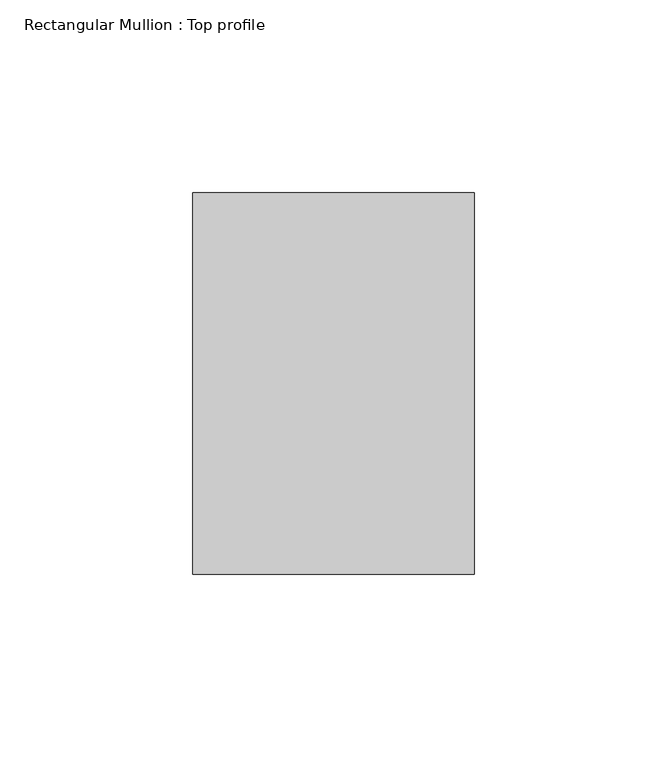
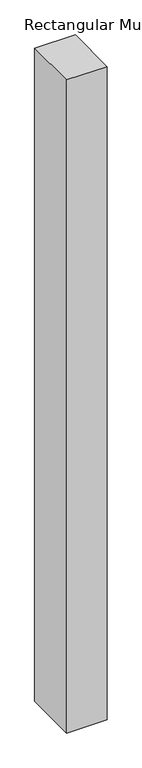
"""IFC4 building model written with IfcOpenShell, lengths in millimetres: member geometry, Rectangular Mullion : Top profile."""

from ifc_helpers import new_model, si_unit, frame, origin, place, context, project, spatial, polyline, outline, extrude, source, transform, mapped, element, save


def rectangular_mullion_top_profile_d5fa099b(model_context):
    return source(origin(), model_context, "Body", "SweptSolid", [
        extrude(outline(polyline([(-73.0, -49.5), (-73.0, 49.5), (0.0, 49.5), (0.0, -49.5), (-73.0, -49.5)])), frame((0.0, 0.0, -1240.0), z_axis=(0.0, 0.0, 1.0), x_axis=(1.0, 0.0, 0.0)), (0.0, 0.0, 1.0), 1240.0),
    ])


if __name__ == "__main__":
    model = new_model("IFC4")
    model_context = context("Model", 3, world=origin())
    ifc_project = project(units=[si_unit("LENGTHUNIT", "METRE", prefix="MILLI")], contexts=[model_context])
    site = spatial("IfcSite", under=ifc_project)
    building = spatial("IfcBuilding", under=site)
    placement = place(None, origin())
    rectangular_mullion_top_profile_shape = rectangular_mullion_top_profile_d5fa099b(model_context)
    element("IfcMember", 1, ObjectType="Rectangular Mullion : Top profile", at=placement, inside=building, context=model_context, shape_type="MappedRepresentation", body=[
        mapped(rectangular_mullion_top_profile_shape, transform((0.0, 0.0, 0.0), x_axis=(1.0, 0.0, 0.0), y_axis=(0.0, 1.0, 0.0), z_axis=(0.0, 0.0, 1.0))),
    ])
    save(model, "model.ifc")
